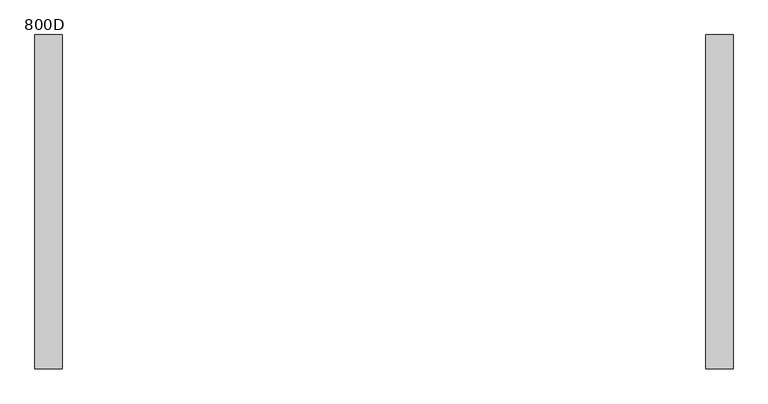
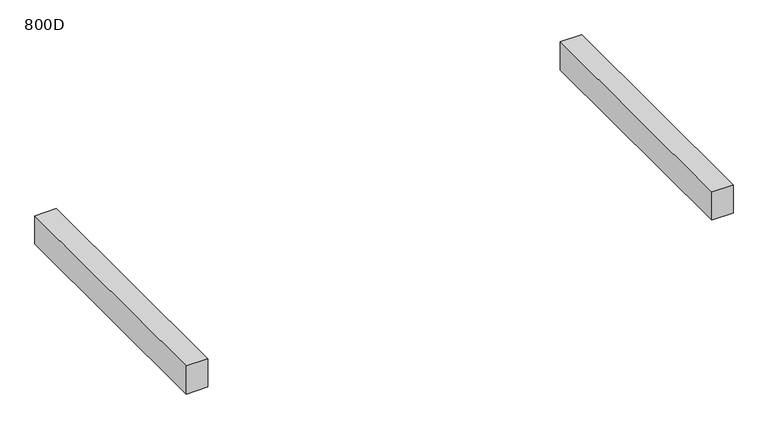
"""IFC4 building model written with IfcOpenShell, lengths in millimetres: furniture geometry, 800D."""

from ifc_helpers import new_model, si_unit, frame, origin, place, context, project, spatial, polyline, outline, extrude, source, transform, mapped, element, save


def furniture_800d_be5878e8(model_context):
    return source(origin(), model_context, "Body", "SweptSolid", [
        extrude(outline(polyline([(-709.9999968, -369.0), (-770.0, -369.0), (-770.0, 369.0), (-709.9999968, 369.0), (-709.9999968, -369.0)])), frame((0.0, 0.0, 435.0), z_axis=(0.0, 0.0, 1.0), x_axis=(1.0, 0.0, 0.0)), (0.0, 0.0, 1.0), 84.0),
        extrude(outline(polyline([(770.0, -369.0), (709.9999968, -369.0), (709.9999968, 369.0), (770.0, 369.0), (770.0, -369.0)])), frame((0.0, 0.0, 435.0), z_axis=(0.0, 0.0, 1.0), x_axis=(1.0, 0.0, 0.0)), (0.0, 0.0, 1.0), 84.0),
    ])


if __name__ == "__main__":
    model = new_model("IFC4")
    model_context = context("Model", 3, world=origin())
    ifc_project = project(units=[si_unit("LENGTHUNIT", "METRE", prefix="MILLI")], contexts=[model_context])
    site = spatial("IfcSite", under=ifc_project)
    building = spatial("IfcBuilding", under=site)
    placement = place(None, origin())
    furniture_800d_shape = furniture_800d_be5878e8(model_context)
    element("IfcFurniture", 1, ObjectType="800D", at=placement, inside=building, context=model_context, shape_type="MappedRepresentation", body=[
        mapped(furniture_800d_shape, transform((0.0, 0.0, 0.0), x_axis=(1.0, 0.0, 0.0), y_axis=(0.0, 1.0, 0.0), z_axis=(0.0, 0.0, 1.0))),
    ])
    save(model, "model.ifc")
